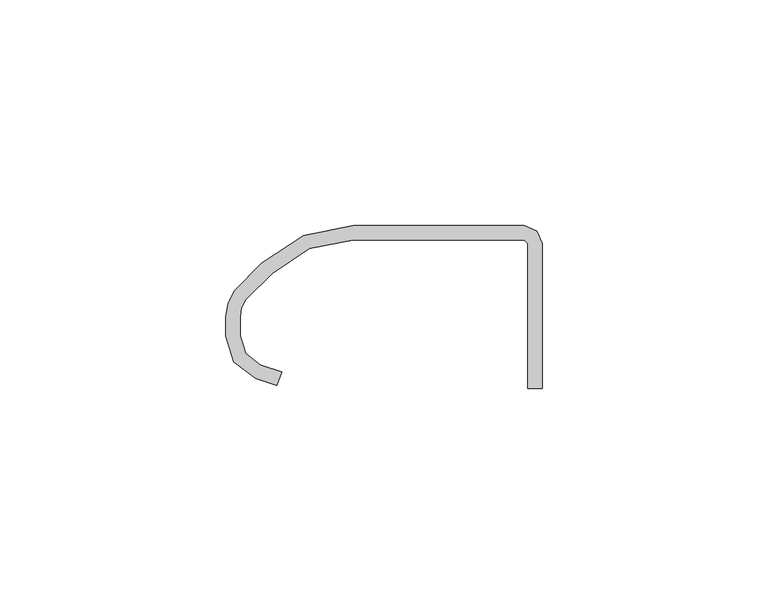
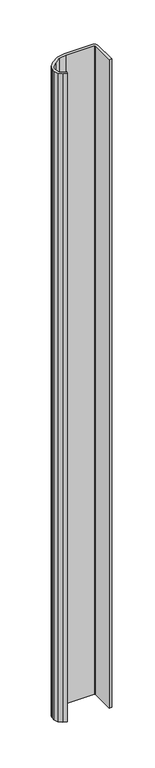
"""IFC4 building model written with IfcOpenShell, lengths in millimetres: proxy geometry."""

import ifcopenshell
import ifcopenshell.guid

model = None  # the IFC model being written
_history = None  # IfcOwnerHistory: only IFC2X3 demands one
_inside = {}  # id of a spatial element -> (the spatial element, [elements in it])
_under = {}  # id of a project, library or spatial element -> (it, [spatial elements below it])
_declared = {}  # id of a project -> (the project, [libraries it declares])
_typed = {}  # id of a type object -> (the type object, [elements of that type])
_made_of = {}  # id of a material, layer set ... -> (it, [elements and type objects made of it])


def new_model(schema):
    """Start an empty IFC model of exactly this schema.

    Asked for "IFC4X3", IfcOpenShell would pick the latest addendum, in which some entities
    have other attributes; the version numbers below select the first issue.
    IFC2X3 requires an IfcOwnerHistory on every rooted entity: one is made here for all.
    """
    global model, _history
    if schema == "IFC4X3":
        model = ifcopenshell.file(schema_version=(4, 3, 0, 0))
    else:
        model = ifcopenshell.file(schema=schema)
    _inside.clear()
    _under.clear()
    _declared.clear()
    _typed.clear()
    _made_of.clear()
    _history = None
    if model.schema == "IFC2X3":
        org = make("IfcOrganization", Name="unknown")
        user = make(
            "IfcPersonAndOrganization",
            ThePerson=make("IfcPerson", FamilyName="unknown"),
            TheOrganization=org,
        )
        app = make(
            "IfcApplication",
            ApplicationDeveloper=org,
            Version="unknown",
            ApplicationFullName="unknown",
            ApplicationIdentifier="unknown",
        )
        _history = make(
            "IfcOwnerHistory",
            OwningUser=user,
            OwningApplication=app,
            ChangeAction="ADDED",
            CreationDate=0,
        )
    return model


def make(cls, **values):
    """One entity of the class cls with the attributes given. An attribute that is None is left unset."""
    return model.create_entity(
        cls, **{name: value for name, value in values.items() if value is not None}
    )


def rooted(cls, **values):
    """An entity with a GlobalId (a new one), such as an element, a storey or a relation."""
    return make(cls, GlobalId=ifcopenshell.guid.new(), OwnerHistory=_history, **values)


def si_unit(unit_type, name, prefix=None):
    """IfcSIUnit, for example si_unit("LENGTHUNIT", "METRE", prefix="MILLI")."""
    return make("IfcSIUnit", UnitType=unit_type, Prefix=prefix, Name=name)


def assignment(units):
    """IfcUnitAssignment: the units of a project."""
    return None if units is None else make("IfcUnitAssignment", Units=units)


def point(xyz):
    """IfcCartesianPoint."""
    return None if xyz is None else make("IfcCartesianPoint", Coordinates=xyz)


def direction(xyz):
    """IfcDirection."""
    return None if xyz is None else make("IfcDirection", DirectionRatios=xyz)


def frame(location, z_axis=None, x_axis=None):
    """IfcAxis2Placement3D, a coordinate frame: its origin and axes. An axis left out is left unset."""
    return make(
        "IfcAxis2Placement3D",
        Location=point(location),
        Axis=direction(z_axis),
        RefDirection=direction(x_axis),
    )


def origin():
    """The frame at (0, 0, 0) with its axes left unset."""
    return frame((0.0, 0.0, 0.0))


def place(relative_to, where):
    """IfcLocalPlacement: puts the frame where relative to a parent placement (None: the world)."""
    return make(
        "IfcLocalPlacement", PlacementRelTo=relative_to, RelativePlacement=where
    )


def context(
    kind, dimensions, precision=None, world=None, true_north=None, identifier=None
):
    """IfcGeometricRepresentationContext, for example the 3D "Model" context."""
    return make(
        "IfcGeometricRepresentationContext",
        ContextIdentifier=identifier,
        ContextType=kind,
        CoordinateSpaceDimension=dimensions,
        Precision=precision,
        WorldCoordinateSystem=world,
        TrueNorth=true_north,
    )


def project(units=None, contexts=None):
    """IfcProject with its units and contexts."""
    return rooted(
        "IfcProject",
        Name="project",
        RepresentationContexts=contexts,
        UnitsInContext=assignment(units),
    )


def spatial(cls, under=None, at=None, **own):
    """A site, building, storey or space (cls), placed at a placement, below another one or the project."""
    s = rooted(cls, ObjectPlacement=at, **own)
    if under is not None:
        _under.setdefault(under.id(), (under, []))[1].append(s)
    return s


def polyline(points):
    """IfcPolyline through the points."""
    return make("IfcPolyline", Points=[point(p) for p in points])


def outline(outer, holes=None, kind="AREA"):
    """IfcArbitraryClosedProfileDef: a profile drawn as a closed curve; with holes, ...WithVoids."""
    if holes is None:
        return make("IfcArbitraryClosedProfileDef", ProfileType=kind, OuterCurve=outer)
    return make(
        "IfcArbitraryProfileDefWithVoids",
        ProfileType=kind,
        OuterCurve=outer,
        InnerCurves=holes,
    )


def extrude(swept, where, along, depth):
    """IfcExtrudedAreaSolid: the profile swept, set in the frame where, extruded along a direction by depth."""
    return make(
        "IfcExtrudedAreaSolid",
        SweptArea=swept,
        Position=where,
        ExtrudedDirection=direction(along),
        Depth=depth,
    )


def shape(context_of_items, identifier, shape_type, items):
    """IfcShapeRepresentation: the items that make up one representation, for example the "Body"."""
    return make(
        "IfcShapeRepresentation",
        ContextOfItems=context_of_items,
        RepresentationIdentifier=identifier,
        RepresentationType=shape_type,
        Items=items,
    )


def source(mapping_origin, context_of_items, identifier, shape_type, items):
    """IfcRepresentationMap: a shape defined once, which mapped items show again and again."""
    return make(
        "IfcRepresentationMap",
        MappingOrigin=mapping_origin,
        MappedRepresentation=shape(context_of_items, identifier, shape_type, items),
    )


def transform(
    local_origin,
    x_axis=None,
    y_axis=None,
    z_axis=None,
    scale=None,
    scale2=None,
    scale3=None,
    uniform=True,
):
    """IfcCartesianTransformationOperator3D, or its non-uniform kind. x_axis, y_axis, z_axis: its Axis1, 2, 3."""
    if uniform:
        return make(
            "IfcCartesianTransformationOperator3D",
            Axis1=direction(x_axis),
            Axis2=direction(y_axis),
            LocalOrigin=point(local_origin),
            Scale=scale,
            Axis3=direction(z_axis),
        )
    return make(
        "IfcCartesianTransformationOperator3DnonUniform",
        Axis1=direction(x_axis),
        Axis2=direction(y_axis),
        LocalOrigin=point(local_origin),
        Scale=scale,
        Axis3=direction(z_axis),
        Scale2=scale2,
        Scale3=scale3,
    )


def mapped(mapping_source, mapping_target):
    """IfcMappedItem: shows the shape of a source again, moved by a transform."""
    return make(
        "IfcMappedItem", MappingSource=mapping_source, MappingTarget=mapping_target
    )


def made_of(thing, what):
    """Note that an element or type object is made of a material, layer set ...; save() writes the relation."""
    if what is not None:
        _made_of.setdefault(what.id(), (what, []))[1].append(thing)
    return thing


def element(
    cls,
    number,
    at=None,
    inside=None,
    cuts=None,
    type_object=None,
    material=None,
    context=None,
    identifier="Body",
    shape_type=None,
    held_by="IfcProductDefinitionShape",
    body=None,
    shapes=None,
    **own,
):
    """One element of the class cls, such as IfcWall. Its Tag is "e" and its number.

    at: its placement. inside: the storey or other place that contains it. cuts: it is an
    opening in that element (IfcRelVoidsElement). A single representation is given by context,
    identifier, shape_type and body (its items); several are given by shapes. held_by: the class
    of the entity that holds the representations. save() writes the other relations.
    """
    e = rooted(cls, Tag="e%d" % number, ObjectPlacement=at, **own)
    if body is not None:
        shapes = [shape(context, identifier, shape_type, body)]
    if shapes is not None:
        e.Representation = make(held_by, Representations=shapes)
    if inside is not None:
        _inside.setdefault(inside.id(), (inside, []))[1].append(e)
    if cuts is not None:
        rooted(
            "IfcRelVoidsElement", RelatingBuildingElement=cuts, RelatedOpeningElement=e
        )
    if type_object is not None:
        _typed.setdefault(type_object.id(), (type_object, []))[1].append(e)
    return made_of(e, material)


def aggregate(whole, parts):
    """IfcRelAggregates: a whole, such as a stair, and the parts it consists of."""
    return rooted("IfcRelAggregates", RelatingObject=whole, RelatedObjects=parts)


def save(model, path):
    """Write the relations noted so far, then the file.

    IfcRelAggregates (storeys below a building ...), IfcRelContainedInSpatialStructure (elements
    in a storey), IfcRelDefinesByType, IfcRelAssociatesMaterial and IfcRelDeclares: one each for
    every whole, place, type object, material and project.
    """
    for whole, parts in _under.values():
        aggregate(whole, parts)
    for where, things in _inside.values():
        rooted(
            "IfcRelContainedInSpatialStructure",
            RelatedElements=things,
            RelatingStructure=where,
        )
    for kind, things in _typed.values():
        rooted("IfcRelDefinesByType", RelatedObjects=things, RelatingType=kind)
    for what, things in _made_of.values():
        rooted("IfcRelAssociatesMaterial", RelatedObjects=things, RelatingMaterial=what)
    for by, libraries in _declared.values():
        rooted("IfcRelDeclares", RelatingContext=by, RelatedDefinitions=libraries)
    model.write(path)


def generic_models_9829f1da(model_context):
    return source(origin(), model_context, "Body", "SweptSolid", [
        extrude(outline(polyline([(37061.1004907, -24076.071116), (37057.9254907, -24076.071116), (37057.9254907, -24043.9651508), (37057.0883504, -24043.1280105), (37019.1849331, -24043.1280105), (37009.4647739, -24045.0613632), (37001.2244208, -24050.5673911), (36995.3798384, -24056.4119735), (36994.4618206, -24058.2374224), (36994.1369409, -24060.254716), (36994.1369409, -24064.4405249), (36995.3698276, -24068.3566721), (36998.6562136, -24070.8175431), (37003.3458062, -24072.4374079), (37002.3093405, -24075.4383146), (36997.6214815, -24073.8192024), (36992.7819696, -24070.1961366), (36990.9619409, -24064.431158), (36990.9619409, -24060.2453492), (36991.4847144, -24057.1280841), (36992.9658746, -24054.3358093), (36998.9793568, -24048.3223271), (37008.249754, -24042.1280457), (37019.1849331, -24039.9530462), (37057.0883861, -24039.9530462), (37059.925362, -24041.128154), (37061.1004907, -24043.9651509), (37061.1004907, -24076.071116)])), frame((0.0, 0.0, 1524.0), z_axis=(0.0, 0.0, 1.0), x_axis=(1.0, 0.0, 0.0)), (0.0, 0.0, 1.0), 914.4),
    ])


if __name__ == "__main__":
    model = new_model("IFC4")
    model_context = context("Model", 3, world=origin())
    ifc_project = project(units=[si_unit("LENGTHUNIT", "METRE", prefix="MILLI")], contexts=[model_context])
    site = spatial("IfcSite", under=ifc_project)
    building = spatial("IfcBuilding", under=site)
    placement = place(None, origin())
    generic_models_shape = generic_models_9829f1da(model_context)
    element("IfcBuildingElementProxy", 1, Name="Generic Models", at=placement, inside=building, context=model_context, shape_type="MappedRepresentation", body=[
        mapped(generic_models_shape, transform((0.0, 0.0, 0.0), x_axis=(1.0, 0.0, 0.0), y_axis=(0.0, 1.0, 0.0), z_axis=(0.0, 0.0, 1.0))),
    ])
    save(model, "model.ifc")
